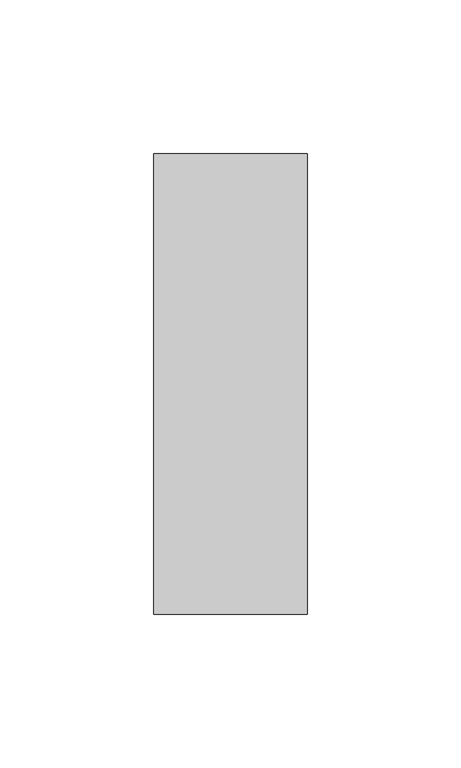
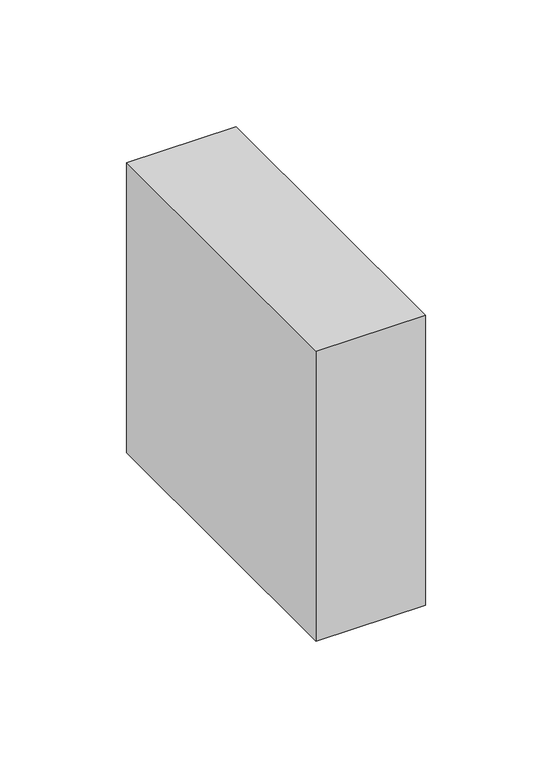
"""IFC4 building model written with IfcOpenShell, lengths in millimetres: member geometry."""

from ifc_helpers import new_model, si_unit, frame, origin, place, context, project, spatial, polyline, outline, extrude, source, transform, mapped, element, save


def member_dfe3d6a4(model_context):
    return source(origin(), model_context, "Body", "SweptSolid", [
        extrude(outline(polyline([(25.0, 75.0), (25.0, -75.0), (-25.0, -75.0), (-25.0, 75.0), (25.0, 75.0)])), frame((0.0, 0.0, -140.0), z_axis=(0.0, 0.0, 1.0), x_axis=(1.0, 0.0, 0.0)), (0.0, 0.0, 1.0), 140.0),
    ])


if __name__ == "__main__":
    model = new_model("IFC4")
    model_context = context("Model", 3, world=origin())
    ifc_project = project(units=[si_unit("LENGTHUNIT", "METRE", prefix="MILLI")], contexts=[model_context])
    site = spatial("IfcSite", under=ifc_project)
    building = spatial("IfcBuilding", under=site)
    placement = place(None, origin())
    member_shape = member_dfe3d6a4(model_context)
    element("IfcMember", 1, at=placement, inside=building, context=model_context, shape_type="MappedRepresentation", body=[
        mapped(member_shape, transform((0.0, 0.0, 0.0), x_axis=(1.0, 0.0, 0.0), y_axis=(0.0, 1.0, 0.0), z_axis=(0.0, 0.0, 1.0))),
    ])
    save(model, "model.ifc")
